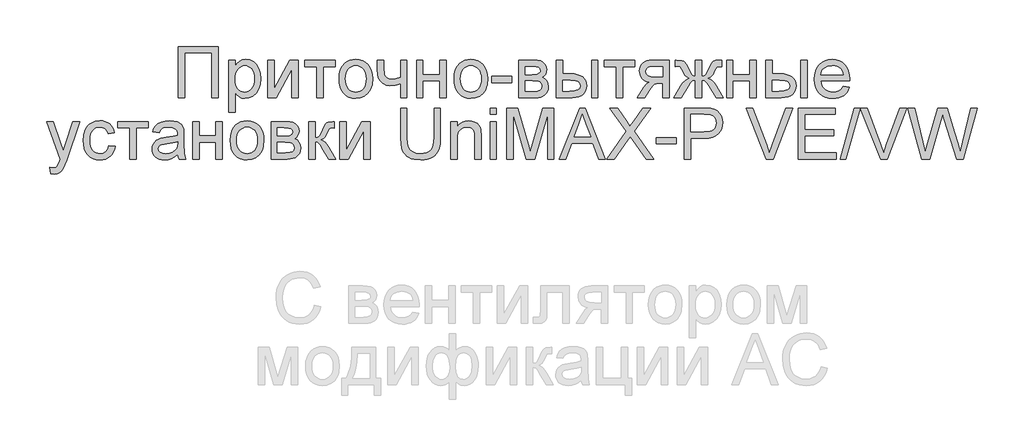
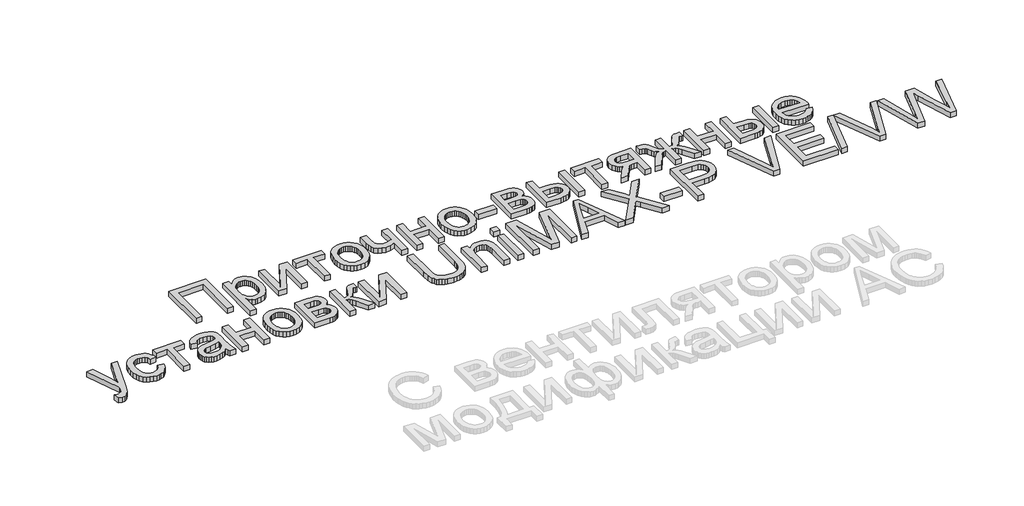
# One storey, part 21 of 74: 1 proxy.
"""IFC4 building model written with IfcOpenShell, lengths in millimetres."""

from ifc_helpers import new_model, si_unit, origin, origin_with_axes, place, context, project, spatial, polyline, outline, extrude, element, save

model = new_model("IFC4")

# Units and contexts
model_context = context("Model", 3, world=origin())
ifc_project = project(units=[si_unit("LENGTHUNIT", "METRE", prefix="MILLI")], contexts=[model_context])

# Site, building, storey
site = spatial("IfcSite", under=ifc_project)
building = spatial("IfcBuilding", under=site)
storey = spatial("IfcBuildingStorey", under=building, Elevation=0.0)

# Proxy
placement = place(None, origin())
element("IfcBuildingElementProxy", 1, Name="Generic Models", at=placement, inside=storey, context=model_context, shape_type="SweptSolid", body=[
    extrude(outline(polyline([(12266.2956204, -23404.5029647), (12617.589482, -23404.5029647), (12617.589482, -23854.1591075), (12561.3824642, -23854.1591075), (12561.3824642, -23460.7099826), (12322.5026383, -23460.7099826), (12322.5026383, -23854.1591075), (12266.2956204, -23854.1591075), (12266.2956204, -23404.5029647)])), origin_with_axes(), (0.0, 0.0, 1.0), 50.0),
    extrude(outline(polyline([(12708.925886, -23980.6248977), (12708.925886, -23523.9428777), (12765.1329039, -23523.9428777), (12765.1329039, -23579.0521022), (12783.4660523, -23551.8679952), (12803.9947873, -23532.4507759), (12827.9266816, -23520.8004443), (12856.4693079, -23516.9170004), (12894.4804015, -23522.3510774), (12927.7160942, -23538.6533081), (12954.7766995, -23564.8356787), (12974.2625308, -23599.9101752), (12986.0363642, -23641.3244281), (12989.9609753, -23686.526068), (12985.5286348, -23734.5956929), (12972.2316132, -23777.5880237), (12950.4953055, -23813.3211961), (12920.7451066, -23839.6133461), (12886.096005, -23855.7920751), (12849.6629893, -23861.1849848), (12823.8236791, -23857.5759892), (12800.756297, -23846.7490027), (12781.0097397, -23830.4056046), (12765.1329039, -23810.2473749), (12765.1329039, -23980.6248977), (12708.925886, -23980.6248977)]), holes=[polyline([(12765.1329039, -23691.6856966), (12766.6526615, -23718.7737467), (12771.2119344, -23742.0744098), (12778.8107225, -23761.5876861), (12789.4490259, -23777.3135753), (12802.255471, -23789.4167467), (12816.3586845, -23798.061869), (12831.7586664, -23803.2489425), (12848.4554167, -23804.9779669), (12865.3923092, -23803.1871916), (12881.0736006, -23797.8148655), (12895.4992909, -23788.8609888), (12908.6693801, -23776.3255613), (12919.6438827, -23760.0301918), (12927.4828131, -23739.7964887), (12932.1861713, -23715.6244521), (12933.7539574, -23687.514082), (12932.223908, -23660.6593129), (12927.6337597, -23637.399817), (12919.9835125, -23617.7355942), (12909.2731664, -23601.6666445), (12896.4358458, -23589.1792456), (12882.404675, -23580.2596749), (12867.1796539, -23574.9079324), (12850.7607826, -23573.1240183), (12834.3933704, -23575.0211424), (12818.9933885, -23580.7125146), (12804.560837, -23590.198135), (12791.0957158, -23603.4780035), (12779.7369856, -23620.3737288), (12771.6236069, -23640.7069194), (12766.7555796, -23664.4775753), (12765.1329039, -23691.6856966)])]), origin_with_axes(), (0.0, 0.0, 1.0), 50.0),
    extrude(outline(polyline([(13053.1938704, -23523.9428777), (13109.4008882, -23523.9428777), (13109.4008882, -23775.7766647), (13247.5032875, -23523.9428777), (13320.1772052, -23523.9428777), (13320.1772052, -23854.1591075), (13263.9701873, -23854.1591075), (13263.9701873, -23603.8622312), (13126.7460226, -23854.1591075), (13053.1938704, -23854.1591075), (13053.1938704, -23523.9428777)])), origin_with_axes(), (0.0, 0.0, 1.0), 50.0),
    extrude(outline(polyline([(13376.384223, -23523.9428777), (13643.3675578, -23523.9428777), (13643.3675578, -23580.1498955), (13537.9793993, -23580.1498955), (13537.9793993, -23854.1591075), (13481.7723815, -23854.1591075), (13481.7723815, -23580.1498955), (13376.384223, -23580.1498955), (13376.384223, -23523.9428777)])), origin_with_axes(), (0.0, 0.0, 1.0), 50.0),
    extrude(outline(polyline([(13678.496944, -23689.0509926), (13681.5364592, -23646.2850817), (13690.655005, -23609.4335323), (13705.8525812, -23578.4963443), (13727.1291879, -23553.4735179), (13748.54988, -23537.4800415), (13772.1936036, -23526.0561298), (13798.0603587, -23519.2017828), (13826.1501452, -23516.9170004), (13857.1593758, -23519.6992204), (13885.1977032, -23528.0458802), (13910.2651275, -23541.9569799), (13932.3616486, -23561.4325195), (13950.3963345, -23585.8138229), (13963.2782529, -23614.4422143), (13971.007404, -23647.3176935), (13973.5837877, -23684.4402607), (13969.0279454, -23741.22362), (13963.3331426, -23764.5311444), (13955.3604186, -23784.4492319), (13932.9791574, -23816.8204123), (13902.2821117, -23841.0404774), (13865.8216512, -23856.1488579), (13826.1501452, -23861.1849848), (13794.6880748, -23858.4130567), (13766.3890214, -23850.0972723), (13741.2529851, -23836.2376316), (13719.2799657, -23816.8341348), (13701.4373937, -23792.2161196), (13688.6926994, -23762.7129242), (13681.0458828, -23728.3245485), (13678.496944, -23689.0509926)]), holes=[polyline([(13734.7039618, -23688.9412133), (13736.3300682, -23716.2042242), (13741.2083872, -23739.8102111), (13749.338919, -23759.7591741), (13760.7216634, -23776.051113), (13774.5675817, -23788.7066116), (13790.0876347, -23797.7462534), (13807.2818225, -23803.1700386), (13826.1501452, -23804.9779669), (13844.9224109, -23803.1597467), (13862.0479866, -23797.7050862), (13877.5268724, -23788.6139853), (13891.3590682, -23775.886444), (13902.7418127, -23759.4332667), (13910.8723444, -23739.1652575), (13915.7506635, -23715.0824166), (13917.3767698, -23687.184744), (13915.7403717, -23660.7862453), (13910.8311772, -23637.7977671), (13902.6491864, -23618.2193094), (13891.1943992, -23602.0508722), (13877.3107444, -23589.3953736), (13861.8421504, -23580.3557318), (13844.7886173, -23574.9319467), (13826.1501452, -23573.1240183), (13807.2818225, -23574.9250854), (13790.0876347, -23580.3282869), (13774.5675817, -23589.3336227), (13760.7216634, -23601.9410929), (13749.338919, -23618.1850034), (13741.2083872, -23638.0996603), (13736.3300682, -23661.6850636), (13734.7039618, -23688.9412133)])]), origin_with_axes(), (0.0, 0.0, 1.0), 50.0),
    extrude(outline(polyline([(14015.7390511, -23523.9428777), (14071.9460689, -23523.9428777), (14071.9460689, -23587.2855521), (14076.5019112, -23646.6761706), (14084.2550765, -23663.9389705), (14098.4028879, -23678.8415148), (14117.9436089, -23689.1333271), (14141.8755033, -23692.5639312), (14176.2638789, -23688.3099821), (14219.4894908, -23675.5481348), (14219.4894908, -23523.9428777), (14275.6965086, -23523.9428777), (14275.6965086, -23854.1591075), (14219.4894908, -23854.1591075), (14219.4894908, -23729.4497867), (14171.5159228, -23743.9406585), (14126.8357348, -23748.7709491), (14092.8453092, -23743.7348222), (14063.1088327, -23728.6264417), (14039.9316713, -23706.2177356), (14025.6191909, -23679.2806321), (14018.209086, -23648.6247537), (14015.7390511, -23615.059723), (14015.7390511, -23523.9428777)])), origin_with_axes(), (0.0, 0.0, 1.0), 50.0),
    extrude(outline(polyline([(14360.0070354, -23523.9428777), (14416.2140533, -23523.9428777), (14416.2140533, -23650.4086678), (14563.7574751, -23650.4086678), (14563.7574751, -23523.9428777), (14619.964493, -23523.9428777), (14619.964493, -23854.1591075), (14563.7574751, -23854.1591075), (14563.7574751, -23706.6156857), (14416.2140533, -23706.6156857), (14416.2140533, -23854.1591075), (14360.0070354, -23854.1591075), (14360.0070354, -23523.9428777)])), origin_with_axes(), (0.0, 0.0, 1.0), 50.0),
    extrude(outline(polyline([(14690.2232653, -23689.0509926), (14693.2627806, -23646.2850817), (14702.3813263, -23609.4335323), (14717.5789025, -23578.4963443), (14738.8555093, -23553.4735179), (14760.2762014, -23537.4800415), (14783.9199249, -23526.0561298), (14809.78668, -23519.2017828), (14837.8764665, -23516.9170004), (14868.8856971, -23519.6992204), (14896.9240246, -23528.0458802), (14921.9914488, -23541.9569799), (14944.08797, -23561.4325195), (14962.1226558, -23585.8138229), (14975.0045743, -23614.4422143), (14982.7337253, -23647.3176935), (14985.310109, -23684.4402607), (14980.7542668, -23741.22362), (14975.0594639, -23764.5311444), (14967.08674, -23784.4492319), (14944.7054787, -23816.8204123), (14914.0084331, -23841.0404774), (14877.5479725, -23856.1488579), (14837.8764665, -23861.1849848), (14806.4143961, -23858.4130567), (14778.1153428, -23850.0972723), (14752.9793064, -23836.2376316), (14731.006287, -23816.8341348), (14713.163715, -23792.2161196), (14700.4190207, -23762.7129242), (14692.7722042, -23728.3245485), (14690.2232653, -23689.0509926)]), holes=[polyline([(14746.4302832, -23688.9412133), (14748.0563895, -23716.2042242), (14752.9347086, -23739.8102111), (14761.0652403, -23759.7591741), (14772.4479848, -23776.051113), (14786.293903, -23788.7066116), (14801.813956, -23797.7462534), (14819.0081439, -23803.1700386), (14837.8764665, -23804.9779669), (14856.6487322, -23803.1597467), (14873.774308, -23797.7050862), (14889.2531938, -23788.6139853), (14903.0853896, -23775.886444), (14914.468134, -23759.4332667), (14922.5986658, -23739.1652575), (14927.4769848, -23715.0824166), (14929.1030912, -23687.184744), (14927.466693, -23660.7862453), (14922.5574985, -23637.7977671), (14914.3755077, -23618.2193094), (14902.9207206, -23602.0508722), (14889.0370657, -23589.3953736), (14873.5684717, -23580.3557318), (14856.5149387, -23574.9319467), (14837.8764665, -23573.1240183), (14819.0081439, -23574.9250854), (14801.813956, -23580.3282869), (14786.293903, -23589.3336227), (14772.4479848, -23601.9410929), (14761.0652403, -23618.1850034), (14752.9347086, -23638.0996603), (14748.0563895, -23661.6850636), (14746.4302832, -23688.9412133)])]), origin_with_axes(), (0.0, 0.0, 1.0), 50.0),
    extrude(outline(polyline([(15020.4394952, -23720.6674401), (15020.4394952, -23664.4604223), (15196.086426, -23664.4604223), (15196.086426, -23720.6674401), (15020.4394952, -23720.6674401)])), origin_with_axes(), (0.0, 0.0, 1.0), 50.0),
    extrude(outline(polyline([(15259.3193211, -23523.9428777), (15383.1504073, -23523.9428777), (15422.9591374, -23525.8228487), (15451.0489239, -23531.4627619), (15471.7148831, -23542.1113571), (15489.2521314, -23559.0173742), (15501.231801, -23581.0418526), (15505.2250242, -23607.0458318), (15502.8098789, -23627.9999617), (15495.564443, -23646.0723842), (15483.4612716, -23661.3454338), (15466.4729201, -23673.9014448), (15487.2761034, -23685.5792212), (15504.2370102, -23704.3652094), (15515.5168365, -23728.7773883), (15519.2767786, -23757.333737), (15516.1549289, -23780.3393682), (15509.7534216, -23800.1751212), (15500.0722568, -23816.840996), (15487.1114344, -23830.3369926), (15470.8503709, -23840.7591679), (15451.2684826, -23848.2035788), (15428.3657695, -23852.6702254), (15402.1422317, -23854.1591075), (15259.3193211, -23854.1591075), (15259.3193211, -23523.9428777)]), holes=[polyline([(15315.5263389, -23797.9520897), (15384.4677592, -23797.9520897), (15422.0397355, -23795.4134426), (15445.614847, -23787.7975015), (15458.266915, -23773.9515833), (15463.0697608, -23752.723005), (15460.6683379, -23738.6575281), (15453.4640692, -23725.6623997), (15442.4038016, -23715.4940891), (15428.4343816, -23709.9090656), (15378.9787927, -23706.6156857), (15315.5263389, -23706.6156857), (15315.5263389, -23797.9520897)]), polyline([(15315.5263389, -23650.4086678), (15371.0746808, -23650.4086678), (15416.9075518, -23647.5544052), (15439.1927561, -23636.1373547), (15446.5616938, -23626.6963322), (15449.0180063, -23615.4988403), (15444.7091675, -23598.7300474), (15431.7826512, -23587.9442281), (15408.4270984, -23582.0984787), (15372.8311501, -23580.1498955), (15315.5263389, -23580.1498955), (15315.5263389, -23650.4086678)])]), origin_with_axes(), (0.0, 0.0, 1.0), 50.0),
    extrude(outline(polyline([(15898.6741491, -23523.9428777), (15954.881167, -23523.9428777), (15954.881167, -23854.1591075), (15898.6741491, -23854.1591075), (15898.6741491, -23523.9428777)])), origin_with_axes(), (0.0, 0.0, 1.0), 50.0),
    extrude(outline(polyline([(15589.5355509, -23523.9428777), (15645.7425688, -23523.9428777), (15645.7425688, -23643.3827906), (15715.2328858, -23643.3827906), (15747.2095468, -23645.1426905), (15775.2959027, -23650.4223903), (15799.4919535, -23659.2218898), (15819.7976993, -23671.5411892), (15835.8632184, -23686.9548935), (15847.3385891, -23705.0376078), (15854.2238116, -23725.7893321), (15856.5188857, -23749.2100664), (15854.5943168, -23770.1058761), (15848.8206101, -23789.4304691), (15839.1977656, -23807.1838454), (15825.7257832, -23823.366005), (15808.0272965, -23836.8379874), (15785.7249392, -23846.4608319), (15758.8187111, -23852.2345386), (15727.3086123, -23854.1591075), (15589.5355509, -23854.1591075), (15589.5355509, -23523.9428777)]), holes=[polyline([(15645.7425688, -23797.9520897), (15703.4864973, -23797.9520897), (15748.2490198, -23795.0017702), (15778.0266635, -23786.1508115), (15794.7405668, -23771.042431), (15800.3118679, -23749.3198457), (15796.1814205, -23730.9592525), (15783.7900785, -23714.7393562), (15773.0351346, -23708.1114291), (15757.2920923, -23703.3771954), (15710.8417125, -23699.5898085), (15645.7425688, -23699.5898085), (15645.7425688, -23797.9520897)])]), origin_with_axes(), (0.0, 0.0, 1.0), 50.0),
    extrude(outline(polyline([(16011.0881848, -23523.9428777), (16278.0715196, -23523.9428777), (16278.0715196, -23580.1498955), (16172.6833612, -23580.1498955), (16172.6833612, -23854.1591075), (16116.4763433, -23854.1591075), (16116.4763433, -23580.1498955), (16011.0881848, -23580.1498955), (16011.0881848, -23523.9428777)])), origin_with_axes(), (0.0, 0.0, 1.0), 50.0),
    extrude(outline(polyline([(16580.1842406, -23523.9428777), (16580.1842406, -23854.1591075), (16523.9772227, -23854.1591075), (16523.9772227, -23727.6933174), (16493.3487892, -23727.6933174), (16468.9228879, -23729.4772315), (16451.6326431, -23734.8289739), (16434.9736295, -23750.3901942), (16412.4414217, -23782.8025419), (16367.6514543, -23854.1591075), (16302.6620899, -23854.1591075), (16359.0886665, -23763.9204969), (16384.0085748, -23731.535594), (16395.7275184, -23722.0945715), (16406.9524551, -23717.1545015), (16386.3139407, -23712.5917981), (16368.529689, -23705.3806682), (16353.5996999, -23695.521112), (16341.5239734, -23683.0131294), (16325.5510806, -23653.2629305), (16320.226783, -23619.341117), (16322.0450032, -23599.1005527), (16327.4996637, -23580.8634612), (16336.5907647, -23564.6298425), (16349.3183059, -23550.3996966), (16365.4901737, -23538.8248383), (16384.9142542, -23530.5570824), (16407.5905475, -23525.5964289), (16433.5190534, -23523.9428777), (16580.1842406, -23523.9428777)]), holes=[polyline([(16523.9772227, -23580.1498955), (16449.8761738, -23580.1498955), (16411.6043543, -23583.4021082), (16398.6744074, -23587.4673741), (16389.881769, -23593.1587463), (16379.7957929, -23607.2791129), (16376.4338009, -23623.6225109), (16381.3875932, -23645.043203), (16396.2489703, -23659.90458), (16423.7075256, -23668.5908697), (16466.4528529, -23671.4862995), (16523.9772227, -23671.4862995), (16523.9772227, -23580.1498955)])]), origin_with_axes(), (0.0, 0.0, 1.0), 50.0),
    extrude(outline(polyline([(16868.2452071, -23523.9428777), (16868.2452071, -23664.4604223), (16888.0740989, -23661.5649924), (16901.0143376, -23652.8787028), (16932.0269988, -23592.7745187), (16951.375606, -23555.3123217), (16969.0226336, -23535.1403695), (16990.4570481, -23526.7422506), (17021.6069335, -23523.9428777), (17043.8921379, -23523.9428777), (17043.8921379, -23580.4792335), (17028.4132521, -23580.1498955), (17009.860545, -23581.6044717), (16999.4315085, -23585.9682001), (16979.3418908, -23622.4149382), (16967.1975522, -23646.8408396), (16956.0137828, -23662.374615), (16942.3325336, -23672.9957653), (16922.6957556, -23682.6837914), (16941.1867118, -23690.5947645), (16959.4443869, -23704.5573232), (16977.468781, -23724.5714676), (16995.2598939, -23750.6371977), (17057.9438923, -23854.1591075), (16993.5034246, -23854.1591075), (16931.8074402, -23752.064329), (16914.9425903, -23725.2644497), (16900.3556616, -23709.6346173), (16885.6040639, -23702.1010107), (16868.2452071, -23699.5898085), (16868.2452071, -23854.1591075), (16812.0381892, -23854.1591075), (16812.0381892, -23699.5898085), (16794.8165566, -23702.046121), (16780.037514, -23709.4150586), (16765.340806, -23724.9351117), (16748.3661768, -23751.8447704), (16686.6701924, -23854.1591075), (16622.339504, -23854.1591075), (16684.8039437, -23750.6371977), (16702.7460033, -23724.5714676), (16720.893899, -23704.5573232), (16739.2476311, -23690.5947645), (16757.8071993, -23682.6837914), (16736.34534, -23671.9254169), (16722.4582545, -23660.2888077), (16709.8336314, -23639.8424072), (16692.159159, -23602.6546585), (16684.9960576, -23590.2770389), (16677.3389492, -23583.6628341), (16653.0777169, -23579.8205575), (16636.3912584, -23580.1498955), (16636.3912584, -23523.9428777), (16644.844267, -23523.9428777), (16694.1351869, -23527.4558163), (16707.6654896, -23532.9447829), (16719.7137712, -23542.3858054), (16732.5305082, -23560.691509), (16748.3661768, -23592.7745187), (16779.0495, -23652.4944751), (16791.9897388, -23661.4689355), (16812.0381892, -23664.4604223), (16812.0381892, -23523.9428777), (16868.2452071, -23523.9428777)])), origin_with_axes(), (0.0, 0.0, 1.0), 50.0),
    extrude(outline(polyline([(17086.0474013, -23523.9428777), (17142.2544191, -23523.9428777), (17142.2544191, -23650.4086678), (17289.797841, -23650.4086678), (17289.797841, -23523.9428777), (17346.0048588, -23523.9428777), (17346.0048588, -23854.1591075), (17289.797841, -23854.1591075), (17289.797841, -23706.6156857), (17142.2544191, -23706.6156857), (17142.2544191, -23854.1591075), (17086.0474013, -23854.1591075), (17086.0474013, -23523.9428777)])), origin_with_axes(), (0.0, 0.0, 1.0), 50.0),
    extrude(outline(polyline([(17739.4539838, -23523.9428777), (17795.6610016, -23523.9428777), (17795.6610016, -23854.1591075), (17739.4539838, -23854.1591075), (17739.4539838, -23523.9428777)])), origin_with_axes(), (0.0, 0.0, 1.0), 50.0),
    extrude(outline(polyline([(17430.3153856, -23523.9428777), (17486.5224035, -23523.9428777), (17486.5224035, -23643.3827906), (17556.0127204, -23643.3827906), (17587.9893814, -23645.1426905), (17616.0757373, -23650.4223903), (17640.2717882, -23659.2218898), (17660.5775339, -23671.5411892), (17676.643053, -23686.9548935), (17688.1184238, -23705.0376078), (17695.0036462, -23725.7893321), (17697.2987204, -23749.2100664), (17695.3741515, -23770.1058761), (17689.6004448, -23789.4304691), (17679.9776002, -23807.1838454), (17666.5056178, -23823.366005), (17648.8071312, -23836.8379874), (17626.5047738, -23846.4608319), (17599.5985458, -23852.2345386), (17568.0884469, -23854.1591075), (17430.3153856, -23854.1591075), (17430.3153856, -23523.9428777)]), holes=[polyline([(17486.5224035, -23797.9520897), (17544.2663319, -23797.9520897), (17589.0288545, -23795.0017702), (17618.8064982, -23786.1508115), (17635.5204015, -23771.042431), (17641.0917025, -23749.3198457), (17636.9612552, -23730.9592525), (17624.5699131, -23714.7393562), (17613.8149692, -23708.1114291), (17598.0719269, -23703.3771954), (17551.6215472, -23699.5898085), (17486.5224035, -23699.5898085), (17486.5224035, -23797.9520897)])]), origin_with_axes(), (0.0, 0.0, 1.0), 50.0),
    extrude(outline(polyline([(18111.1668011, -23755.7968263), (18166.2760256, -23762.8227035), (18157.8264477, -23784.8952104), (18146.419689, -23804.3467358), (18132.0557495, -23821.1772796), (18114.7346293, -23835.3868418), (18094.6347198, -23846.6735294), (18071.9344124, -23854.735449), (18046.633707, -23859.5726008), (18018.7326037, -23861.1849848), (17983.8570823, -23858.4027648), (17952.7826702, -23850.056105), (17925.5093675, -23836.1450053), (17902.0371741, -23816.6694658), (17883.1619902, -23792.1715218), (17869.6797161, -23763.1932088), (17861.5903516, -23729.7345268), (17858.8938967, -23691.7954759), (17861.6177964, -23652.5699484), (17869.7894954, -23617.9963201), (17883.4089937, -23588.074591), (17902.4762914, -23562.8047611), (17925.8867339, -23542.7288658), (17952.5356667, -23528.3889406), (17982.4230898, -23519.7849855), (18015.5490031, -23516.9170004), (18047.6079986, -23519.7781243), (18076.600034, -23528.3614958), (18102.5251093, -23542.6671149), (18125.3832245, -23562.6949818), (18144.0422803, -23587.909922), (18157.3701773, -23617.7767615), (18165.3669155, -23652.2955001), (18168.0324949, -23691.4661379), (18167.7031569, -23706.6156857), (17915.1009146, -23706.6156857), (17918.3565579, -23729.0449754), (17924.8301079, -23748.6886146), (17934.5215645, -23765.5466032), (17947.4309278, -23779.6189413), (17962.8446321, -23790.713515), (17980.0491117, -23798.6382105), (17999.0443667, -23803.3930278), (18019.8303971, -23804.9779669), (18049.745265, -23802.0413698), (18074.9396216, -23793.2315784), (18095.413467, -23777.9996962), (18111.1668011, -23755.7968263)]), holes=[polyline([(17915.1009146, -23650.4086678), (18111.8254771, -23650.4086678), (18104.2232583, -23620.7133586), (18089.3207141, -23599.4710579), (18073.9927749, -23587.9442281), (18056.5515835, -23579.7107782), (18036.9971401, -23574.7707083), (18015.3294445, -23573.1240183), (17977.4418526, -23578.3797038), (17946.1135758, -23594.1467603), (17933.6570522, -23605.5466578), (17924.3361009, -23618.7236082), (17918.1507216, -23633.6776116), (17915.1009146, -23650.4086678)])]), origin_with_axes(), (0.0, 0.0, 1.0), 50.0),
    extrude(outline(polyline([(11142.1552634, -24521.0569809), (11135.1293862, -24466.9357703), (11163.6720124, -24471.8758403), (11178.684336, -24470.3252072), (11190.34839, -24465.673308), (11206.7055105, -24448.3830633), (11222.0746169, -24406.9962552), (11226.4657902, -24393.3836181), (11107.0258772, -24064.3749608), (11166.3067164, -24064.3749608), (11229.6493908, -24247.7064449), (11251.7150365, -24321.0390385), (11273.7806821, -24256.2692327), (11338.8798259, -24064.3749608), (11397.7215477, -24064.3749608), (11282.7825874, -24402.4953026), (11252.9226091, -24475.8278962), (11237.6358372, -24499.2383387), (11220.3181476, -24515.458235), (11200.201085, -24524.9267023), (11176.5161942, -24528.0828581), (11142.1552634, -24521.0569809)])), origin_with_axes(), (0.0, 0.0, 1.0), 50.0),
    extrude(outline(polyline([(11655.0443013, -24275.1512778), (11711.2513191, -24282.177155), (11705.1379826, -24308.6991555), (11695.5803195, -24332.1679182), (11682.5783299, -24352.5834433), (11666.1320138, -24369.9457308), (11646.9343532, -24383.8019408), (11625.67833, -24393.6992337), (11602.3639445, -24399.6376094), (11576.9911964, -24401.617068), (11545.4673752, -24398.8554316), (11517.2026279, -24390.5705227), (11492.1969545, -24376.7623411), (11470.450355, -24357.4308869), (11452.8479252, -24332.9398041), (11440.2747612, -24303.6527368), (11432.7308627, -24269.5696849), (11430.2162299, -24230.6906484), (11434.5113462, -24180.6724404), (11447.3966953, -24137.3233268), (11457.1121662, -24118.5682141), (11469.0781133, -24102.3174424), (11483.2945368, -24088.5710117), (11499.7614365, -24077.328922), (11536.4689006, -24062.3440432), (11576.2227411, -24057.3490836), (11601.1598024, -24059.0643857), (11623.7160245, -24064.2102918), (11643.8914073, -24072.7868021), (11661.6859509, -24084.7939165), (11676.797762, -24099.9571867), (11688.9249475, -24118.0021644), (11698.0675075, -24138.9288495), (11704.2254419, -24162.7372421), (11648.0184241, -24169.7631193), (11637.8226686, -24145.2411611), (11621.9458328, -24127.6627456), (11601.2661512, -24117.0827625), (11576.6618584, -24113.5561015), (11557.5636853, -24115.2919871), (11540.338622, -24120.4996442), (11524.9866686, -24129.1790726), (11511.507825, -24141.3302724), (11500.5333225, -24157.2345531), (11492.6943921, -24177.1732242), (11487.9910338, -24201.1462858), (11486.4232477, -24229.1537378), (11487.9567278, -24257.5831541), (11492.5571679, -24281.8340946), (11500.2245681, -24301.9065593), (11510.9589284, -24317.8005482), (11524.1701848, -24329.8797053), (11539.2682736, -24338.5076746), (11556.2531945, -24343.6844562), (11575.1249478, -24345.4100501), (11604.2301931, -24341.1012113), (11628.0934753, -24328.174695), (11645.4523322, -24306.3011632), (11655.0443013, -24275.1512778)])), origin_with_axes(), (0.0, 0.0, 1.0), 50.0),
    extrude(outline(polyline([(11732.3289508, -24064.3749608), (11999.3122856, -24064.3749608), (11999.3122856, -24120.5819787), (11893.9241272, -24120.5819787), (11893.9241272, -24394.5911907), (11837.7171093, -24394.5911907), (11837.7171093, -24120.5819787), (11732.3289508, -24120.5819787), (11732.3289508, -24064.3749608)])), origin_with_axes(), (0.0, 0.0, 1.0), 50.0),
    extrude(outline(polyline([(12259.2697432, -24352.4359273), (12232.4149742, -24375.4621422), (12204.764305, -24390.5293555), (12175.6865045, -24398.8451398), (12144.5503415, -24401.617068), (12119.5240845, -24399.9497944), (12097.57851, -24394.9479736), (12078.7136179, -24386.6116056), (12062.9294084, -24374.9406903), (12050.4660236, -24360.6762384), (12041.5636059, -24344.5592603), (12036.2221553, -24326.5897559), (12034.4416718, -24306.7677253), (12037.1312654, -24283.4670622), (12045.2000463, -24262.307096), (12057.646278, -24244.1935062), (12073.4682242, -24230.0319724), (12092.0620985, -24219.3284876), (12112.8241147, -24211.5890447), (12161.4563586, -24203.1360362), (12218.9258388, -24194.2439103), (12258.9404052, -24183.8148738), (12259.2697432, -24171.30003), (12255.4000218, -24146.2154527), (12243.7908574, -24129.8034426), (12217.8280455, -24117.6179367), (12181.6557557, -24113.5561015), (12148.1730595, -24116.2594175), (12124.7900618, -24124.3693656), (12108.8446139, -24139.3679668), (12097.6745669, -24162.7372421), (12041.467549, -24155.7113649), (12051.2241871, -24124.973152), (12065.783671, -24100.821699), (12086.5045199, -24082.3513264), (12114.745253, -24068.6563548), (12149.2845752, -24060.1759014), (12188.9011916, -24057.3490836), (12226.8985628, -24059.8465634), (12257.0192669, -24067.3390028), (12279.7298662, -24078.6051067), (12295.4969227, -24092.4235801), (12305.953404, -24109.5079886), (12312.7322778, -24130.5718979), (12315.4767611, -24179.7530385), (12315.4767611, -24249.6824728), (12318.3310237, -24347.3311884), (12329.5285155, -24394.5911907), (12273.3214977, -24394.5911907), (12264.3195925, -24375.0504697), (12259.2697432, -24352.4359273)]), holes=[polyline([(12259.2697432, -24240.0218916), (12221.5056531, -24249.3805797), (12168.5920152, -24257.2572467), (12120.2342195, -24266.3689313), (12107.6507636, -24272.5989083), (12098.3332429, -24281.189141), (12092.5698279, -24291.4809534), (12090.6486896, -24302.8156694), (12094.8340267, -24319.5295726), (12107.3900377, -24333.2245443), (12128.0422745, -24342.3636737), (12156.5162887, -24345.4100501), (12186.7056049, -24342.0480581), (12213.3819825, -24331.962082), (12235.0085109, -24317.1007049), (12250.0482793, -24299.4125101), (12256.7173737, -24281.189141), (12258.9404052, -24255.9398947), (12259.2697432, -24240.0218916)])]), origin_with_axes(), (0.0, 0.0, 1.0), 50.0),
    extrude(outline(polyline([(12392.7614106, -24064.3749608), (12448.9684285, -24064.3749608), (12448.9684285, -24190.840751), (12596.5118503, -24190.840751), (12596.5118503, -24064.3749608), (12652.7188682, -24064.3749608), (12652.7188682, -24394.5911907), (12596.5118503, -24394.5911907), (12596.5118503, -24247.0477689), (12448.9684285, -24247.0477689), (12448.9684285, -24394.5911907), (12392.7614106, -24394.5911907), (12392.7614106, -24064.3749608)])), origin_with_axes(), (0.0, 0.0, 1.0), 50.0),
    extrude(outline(polyline([(12722.9776405, -24229.4830758), (12726.0171557, -24186.7171649), (12735.1357015, -24149.8656154), (12750.3332777, -24118.9284275), (12771.6098844, -24093.9056011), (12793.0305765, -24077.9121247), (12816.6743001, -24066.488213), (12842.5410552, -24059.633866), (12870.6308417, -24057.3490836), (12901.6400723, -24060.1313036), (12929.6783997, -24068.4779634), (12954.745824, -24082.3890631), (12976.8423451, -24101.8646026), (12994.877031, -24126.2459061), (13007.7589494, -24154.8742975), (13015.4881005, -24187.7497767), (13018.0644842, -24224.8723439), (13013.5086419, -24281.6557032), (13007.8138391, -24304.9632276), (12999.8411151, -24324.8813151), (12977.4598539, -24357.2524955), (12946.7628082, -24381.4725606), (12910.3023477, -24396.5809411), (12870.6308417, -24401.617068), (12839.1687713, -24398.8451398), (12810.869718, -24390.5293555), (12785.7336816, -24376.6697148), (12763.7606622, -24357.2662179), (12745.9180902, -24332.6482028), (12733.1733959, -24303.1450074), (12725.5265793, -24268.7566317), (12722.9776405, -24229.4830758)]), holes=[polyline([(12779.1846583, -24229.3732965), (12780.8107647, -24256.6363074), (12785.6890837, -24280.2422943), (12793.8196155, -24300.1912572), (12805.20236, -24316.4831962), (12819.0482782, -24329.1386948), (12834.5683312, -24338.1783366), (12851.762519, -24343.6021217), (12870.6308417, -24345.4100501), (12889.4031074, -24343.5918299), (12906.5286832, -24338.1371694), (12922.0075689, -24329.0460685), (12935.8397647, -24316.3185272), (12947.2225092, -24299.8653498), (12955.3530409, -24279.5973407), (12960.23136, -24255.5144998), (12961.8574664, -24227.6168271), (12960.2210682, -24201.2183285), (12955.3118737, -24178.2298503), (12947.1298829, -24158.6513926), (12935.6750957, -24142.4829554), (12921.7914409, -24129.8274568), (12906.3228469, -24120.7878149), (12889.2693138, -24115.3640298), (12870.6308417, -24113.5561015), (12851.762519, -24115.3571686), (12834.5683312, -24120.7603701), (12819.0482782, -24129.7657059), (12805.20236, -24142.373176), (12793.8196155, -24158.6170865), (12785.6890837, -24178.5317434), (12780.8107647, -24202.1171467), (12779.1846583, -24229.3732965)])]), origin_with_axes(), (0.0, 0.0, 1.0), 50.0),
    extrude(outline(polyline([(13081.2973793, -24064.3749608), (13205.1284655, -24064.3749608), (13244.9371957, -24066.2549319), (13273.0269822, -24071.8948451), (13293.6929414, -24082.5434402), (13311.2301896, -24099.4494573), (13323.2098592, -24121.4739358), (13327.2030824, -24147.477915), (13324.7879371, -24168.4320449), (13317.5425012, -24186.5044674), (13305.4393299, -24201.7775169), (13288.4509783, -24214.333528), (13309.2541617, -24226.0113044), (13326.2150684, -24244.7972926), (13337.4948947, -24269.2094715), (13341.2548369, -24297.7658201), (13338.1329871, -24320.7714513), (13331.7314798, -24340.6072043), (13322.050315, -24357.2730791), (13309.0894927, -24370.7690757), (13292.8284291, -24381.191251), (13273.2465408, -24388.635662), (13250.3438278, -24393.1023085), (13224.1202899, -24394.5911907), (13081.2973793, -24394.5911907), (13081.2973793, -24064.3749608)]), holes=[polyline([(13137.5043971, -24190.840751), (13193.052739, -24190.840751), (13238.88561, -24187.9864884), (13261.1708143, -24176.5694379), (13268.539752, -24167.1284154), (13270.9960645, -24155.9309235), (13266.6872258, -24139.1621306), (13253.7607095, -24128.3763113), (13230.4051566, -24122.5305618), (13194.8092083, -24120.5819787), (13137.5043971, -24120.5819787), (13137.5043971, -24190.840751)]), polyline([(13137.5043971, -24338.3841729), (13206.4458175, -24338.3841729), (13244.0177938, -24335.8455258), (13267.5929053, -24328.2295847), (13280.2449732, -24314.3836665), (13285.047819, -24293.1550882), (13282.6463961, -24279.0896113), (13275.4421275, -24266.0944829), (13264.3818598, -24255.9261723), (13250.4124398, -24250.3411488), (13200.9568509, -24247.0477689), (13137.5043971, -24247.0477689), (13137.5043971, -24338.3841729)])]), origin_with_axes(), (0.0, 0.0, 1.0), 50.0),
    extrude(outline(polyline([(13411.5136092, -24064.3749608), (13467.720627, -24064.3749608), (13467.720627, -24204.8925055), (13490.5821729, -24202.3675808), (13505.3749378, -24194.792807), (13518.4661231, -24175.0325272), (13536.22293, -24135.9510851), (13550.5354104, -24103.9915772), (13561.856404, -24085.1781442), (13572.4226647, -24074.9274991), (13584.4709463, -24068.6563548), (13625.5833061, -24064.3749608), (13636.3416806, -24064.3749608), (13636.3416806, -24120.9113167), (13621.1921328, -24120.5819787), (13603.6274397, -24122.0639997), (13593.7472999, -24126.5100626), (13574.4261375, -24163.5056974), (13562.5562472, -24188.1648798), (13551.7567055, -24203.5202638), (13538.6792426, -24213.7709089), (13519.9755889, -24223.1158745), (13537.7872855, -24231.0268476), (13555.4343131, -24244.9894064), (13572.9166717, -24265.0035508), (13590.2343612, -24291.0692809), (13650.393435, -24394.5911907), (13586.501864, -24394.5911907), (13527.5503628, -24293.2648675), (13511.6323597, -24266.3003192), (13497.9099433, -24250.3960385), (13484.0503026, -24242.6154283), (13467.720627, -24240.0218916), (13467.720627, -24394.5911907), (13411.5136092, -24394.5911907), (13411.5136092, -24064.3749608)])), origin_with_axes(), (0.0, 0.0, 1.0), 50.0),
    extrude(outline(polyline([(13685.5228212, -24064.3749608), (13741.7298391, -24064.3749608), (13741.7298391, -24316.2087479), (13879.8322384, -24064.3749608), (13952.506156, -24064.3749608), (13952.506156, -24394.5911907), (13896.2991381, -24394.5911907), (13896.2991381, -24144.2943144), (13759.0749735, -24394.5911907), (13685.5228212, -24394.5911907), (13685.5228212, -24064.3749608)])), origin_with_axes(), (0.0, 0.0, 1.0), 50.0),
    extrude(outline(polyline([(14514.5763345, -23944.9350479), (14570.7833524, -23944.9350479), (14570.7833524, -24204.3436088), (14566.9685206, -24265.0927465), (14555.5240253, -24311.8724643), (14546.3643123, -24330.843705), (14534.1445004, -24347.9624196), (14518.8645897, -24363.2286079), (14500.5245801, -24376.64227), (14479.103888, -24387.5687441), (14454.5819297, -24395.3733685), (14426.9587054, -24400.0561431), (14396.2342149, -24401.617068), (14339.1626848, -24396.182991), (14314.9186055, -24389.3903949), (14293.5356501, -24379.8807603), (14275.0103878, -24367.794742), (14259.3393882, -24353.2729947), (14246.5226512, -24336.3155186), (14236.5601769, -24316.9223135), (14223.7571623, -24268.1665678), (14219.4894908, -24204.3436088), (14219.4894908, -23944.9350479), (14275.6965086, -23944.9350479), (14275.6965086, -24202.3675808), (14278.4684368, -24252.8797959), (14286.7842212, -24288.0503493), (14301.8514344, -24312.4076385), (14324.8776493, -24330.480061), (14354.9022965, -24341.6775528), (14390.964807, -24345.4100501), (14421.9431622, -24343.5643851), (14448.132394, -24338.02739), (14469.5325025, -24328.799065), (14486.1434876, -24315.8794099), (14498.5828581, -24297.7109305), (14507.4681228, -24272.7361325), (14512.7992816, -24240.955016), (14514.5763345, -24202.3675808), (14514.5763345, -23944.9350479)])), origin_with_axes(), (0.0, 0.0, 1.0), 50.0),
    extrude(outline(polyline([(14662.1197564, -24394.5911907), (14662.1197564, -24064.3749608), (14718.3267742, -24064.3749608), (14718.3267742, -24110.4822802), (14737.8537729, -24087.2365067), (14761.3053826, -24070.6323828), (14788.6816035, -24060.6699084), (14819.9824354, -24057.3490836), (14847.6879943, -24060.0249548), (14873.0607423, -24068.0525685), (14894.2207085, -24080.4301881), (14909.2879218, -24096.1560774), (14919.5111221, -24115.189069), (14926.1390492, -24137.4879958), (14929.1030912, -24191.828765), (14929.1030912, -24394.5911907), (14872.8960733, -24394.5911907), (14872.8960733, -24199.4035389), (14871.2768282, -24170.3394608), (14866.4190928, -24149.6735016), (14857.4583548, -24134.8670142), (14843.5301021, -24123.3813517), (14825.6772383, -24116.012414), (14804.942667, -24113.5561015), (14772.0225899, -24119.0725129), (14743.9602482, -24135.6217471), (14732.7456033, -24149.1314662), (14724.7351427, -24167.5949775), (14719.9288664, -24191.0122812), (14718.3267742, -24219.3833773), (14718.3267742, -24394.5911907), (14662.1197564, -24394.5911907)])), origin_with_axes(), (0.0, 0.0, 1.0), 50.0),
    extrude(outline(polyline([(15006.3877407, -24394.5911907), (15006.3877407, -24064.3749608), (15062.5947586, -24064.3749608), (15062.5947586, -24394.5911907), (15006.3877407, -24394.5911907)])), origin_with_axes(), (0.0, 0.0, 1.0), 50.0),
    extrude(outline(polyline([(15006.3877407, -24001.1420658), (15006.3877407, -23944.9350479), (15062.5947586, -23944.9350479), (15062.5947586, -24001.1420658), (15006.3877407, -24001.1420658)])), origin_with_axes(), (0.0, 0.0, 1.0), 50.0),
    extrude(outline(polyline([(15153.9311626, -24394.5911907), (15153.9311626, -23944.9350479), (15250.6467539, -23944.9350479), (15342.6418339, -24261.8679786), (15361.1945409, -24328.0649157), (15381.2841586, -24256.3790121), (15471.742328, -23944.9350479), (15568.4579192, -23944.9350479), (15568.4579192, -24394.5911907), (15512.2509014, -24394.5911907), (15512.2509014, -24001.1420658), (15399.287969, -24394.5911907), (15323.1011128, -24394.5911907), (15210.1381804, -24001.1420658), (15210.1381804, -24394.5911907), (15153.9311626, -24394.5911907)])), origin_with_axes(), (0.0, 0.0, 1.0), 50.0),
    extrude(outline(polyline([(15614.4554592, -24394.5911907), (15793.9446666, -23944.9350479), (15841.8084553, -23944.9350479), (16021.2976627, -24394.5911907), (15961.9070442, -24394.5911907), (15910.4205376, -24254.0736461), (15725.222805, -24254.0736461), (15673.8460777, -24394.5911907), (15614.4554592, -24394.5911907)]), holes=[polyline([(15745.8613193, -24197.8666282), (15889.8918026, -24197.8666282), (15849.3832292, -24087.3188412), (15817.876561, -24001.1420658), (15789.8828314, -24077.65826), (15745.8613193, -24197.8666282)])]), origin_with_axes(), (0.0, 0.0, 1.0), 50.0),
    extrude(outline(polyline([(16032.1658165, -24394.5911907), (16205.5073813, -24149.5637223), (16060.2693255, -23944.9350479), (16127.6738351, -23944.9350479), (16209.4594373, -24060.0935669), (16237.0140496, -24104.9933136), (16269.2891731, -24059.3251116), (16350.1965406, -23944.9350479), (16418.5890643, -23944.9350479), (16273.3510084, -24150.2223983), (16446.6925732, -24394.5911907), (16379.2880635, -24394.5911907), (16263.8002065, -24231.6786624), (16239.7585329, -24197.8666282), (16213.3017139, -24234.9720424), (16100.5583402, -24394.5911907), (16032.1658165, -24394.5911907)])), origin_with_axes(), (0.0, 0.0, 1.0), 50.0),
    extrude(outline(polyline([(16467.7702049, -24261.0995233), (16467.7702049, -24204.8925055), (16643.4171357, -24204.8925055), (16643.4171357, -24261.0995233), (16467.7702049, -24261.0995233)])), origin_with_axes(), (0.0, 0.0, 1.0), 50.0),
    extrude(outline(polyline([(16713.675908, -24394.5911907), (16713.675908, -23944.9350479), (16880.3209336, -23944.9350479), (16947.5058846, -23949.2164418), (16977.4619197, -23957.2166106), (17002.1211021, -23970.2391839), (17021.9774388, -23988.8742254), (17037.5249366, -24013.7117992), (17047.5697455, -24043.0091584), (17050.9180151, -24075.023556), (17048.657247, -24102.6261967), (17041.8749426, -24128.0195284), (17030.5711021, -24151.203551), (17014.7457253, -24172.1782646), (16993.0197094, -24189.5645663), (16964.0139516, -24201.9833532), (16927.7284519, -24209.4346253), (16884.1632102, -24211.9183827), (16769.8829258, -24211.9183827), (16769.8829258, -24394.5911907), (16713.675908, -24394.5911907)]), holes=[polyline([(16769.8829258, -24155.7113649), (16887.4565901, -24155.7113649), (16937.2964067, -24150.5517363), (16955.8765586, -24144.1022005), (16970.2302063, -24135.0728505), (16980.9405523, -24123.7038284), (16988.5907995, -24110.2352767), (16993.1809478, -24094.6671952), (16994.7109972, -24076.999584), (16991.1020017, -24051.7503377), (16980.2750151, -24030.4531473), (16963.5748343, -24014.4253649), (16942.346256, -24004.9843424), (16886.1392382, -24001.1420658), (16769.8829258, -24001.1420658), (16769.8829258, -24155.7113649)])]), origin_with_axes(), (0.0, 0.0, 1.0), 50.0),
    extrude(outline(polyline([(17436.6825868, -24394.5911907), (17257.7422761, -23944.9350479), (17317.9013499, -23944.9350479), (17437.6706008, -24268.8938559), (17461.9318331, -24341.8971115), (17485.8637275, -24268.8938559), (17605.9623164, -23944.9350479), (17666.1213902, -23944.9350479), (17494.7558533, -24394.5911907), (17436.6825868, -24394.5911907)])), origin_with_axes(), (0.0, 0.0, 1.0), 50.0),
    extrude(outline(polyline([(17718.3763521, -24394.5911907), (17718.3763521, -23944.9350479), (18041.5667047, -23944.9350479), (18041.5667047, -24001.1420658), (17774.5833699, -24001.1420658), (17774.5833699, -24134.6337332), (18027.5149503, -24134.6337332), (18027.5149503, -24190.840751), (17774.5833699, -24190.840751), (17774.5833699, -24338.3841729), (18048.592582, -24338.3841729), (18048.592582, -24394.5911907), (17718.3763521, -24394.5911907)])), origin_with_axes(), (0.0, 0.0, 1.0), 50.0),
    extrude(outline(polyline([(18083.7219681, -24394.5911907), (18210.1877583, -23944.9350479), (18260.9058096, -23944.9350479), (18134.4400194, -24394.5911907), (18083.7219681, -24394.5911907)])), origin_with_axes(), (0.0, 0.0, 1.0), 50.0),
    extrude(outline(polyline([(18441.3830309, -24394.5911907), (18262.4427202, -23944.9350479), (18322.601794, -23944.9350479), (18442.3710449, -24268.8938559), (18466.6322773, -24341.8971115), (18490.5641716, -24268.8938559), (18610.6627605, -23944.9350479), (18670.8218343, -23944.9350479), (18499.4562974, -24394.5911907), (18441.3830309, -24394.5911907)])), origin_with_axes(), (0.0, 0.0, 1.0), 50.0),
    extrude(outline(polyline([(18803.5450464, -24394.5911907), (18680.9215328, -23944.9350479), (18738.88502, -23944.9350479), (18810.0220269, -24240.461009), (18831.9778933, -24331.6876336), (18855.4706703, -24250.9998248), (18944.6114877, -23944.9350479), (19028.1535591, -23944.9350479), (19092.9233648, -24166.7990774), (19120.6700909, -24249.1335762), (19141.1164915, -24331.6876336), (19162.4136818, -24243.0957129), (19234.2093648, -23944.9350479), (19292.172852, -23944.9350479), (19169.4395591, -24394.5911907), (19109.3902646, -24394.5911907), (19001.5869608, -24047.6885024), (18986.5471924, -23999.2758171), (18969.6411753, -24057.5686423), (18871.3886734, -24394.5911907), (18803.5450464, -24394.5911907)])), origin_with_axes(), (0.0, 0.0, 1.0), 50.0),
])

save(model, "model.ifc")
